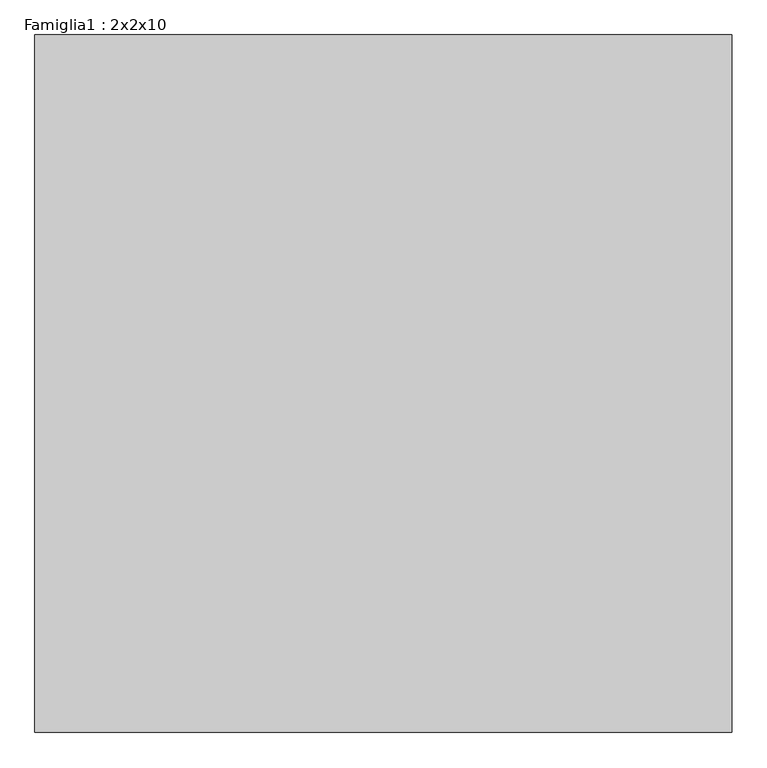
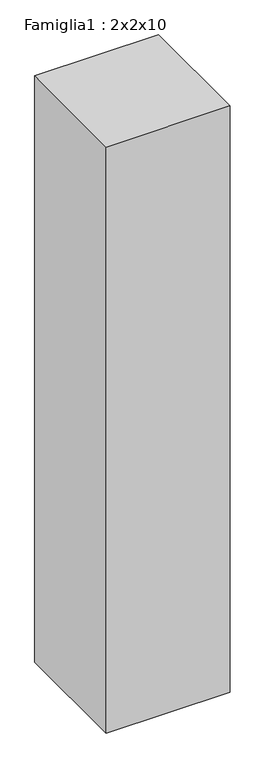
"""IFC4 building model written with IfcOpenShell, lengths in millimetres: proxy geometry, Famiglia1 : 2x2x10."""

from ifc_helpers import new_model, si_unit, origin, origin_with_axes, place, context, project, spatial, polyline, outline, extrude, source, transform, mapped, element, save


def famiglia1_2x2x10_df55ea0c(model_context):
    return source(origin(), model_context, "Body", "SweptSolid", [
        extrude(outline(polyline([(2000.0, 2000.0), (2000.0, 0.0), (0.0, 0.0), (0.0, 2000.0), (2000.0, 2000.0)])), origin_with_axes(), (0.0, 0.0, 1.0), 10000.0),
    ])


if __name__ == "__main__":
    model = new_model("IFC4")
    model_context = context("Model", 3, world=origin())
    ifc_project = project(units=[si_unit("LENGTHUNIT", "METRE", prefix="MILLI")], contexts=[model_context])
    site = spatial("IfcSite", under=ifc_project)
    building = spatial("IfcBuilding", under=site)
    placement = place(None, origin())
    famiglia1_2x2x10_shape = famiglia1_2x2x10_df55ea0c(model_context)
    element("IfcBuildingElementProxy", 1, Name="Famiglia1 : 2x2x10", ObjectType="Famiglia1 : 2x2x10", at=placement, inside=building, context=model_context, shape_type="MappedRepresentation", body=[
        mapped(famiglia1_2x2x10_shape, transform((0.0, 0.0, 0.0), x_axis=(1.0, 0.0, 0.0), y_axis=(0.0, 1.0, 0.0), z_axis=(0.0, 0.0, 1.0))),
    ])
    save(model, "model.ifc")
